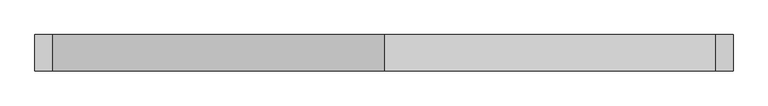
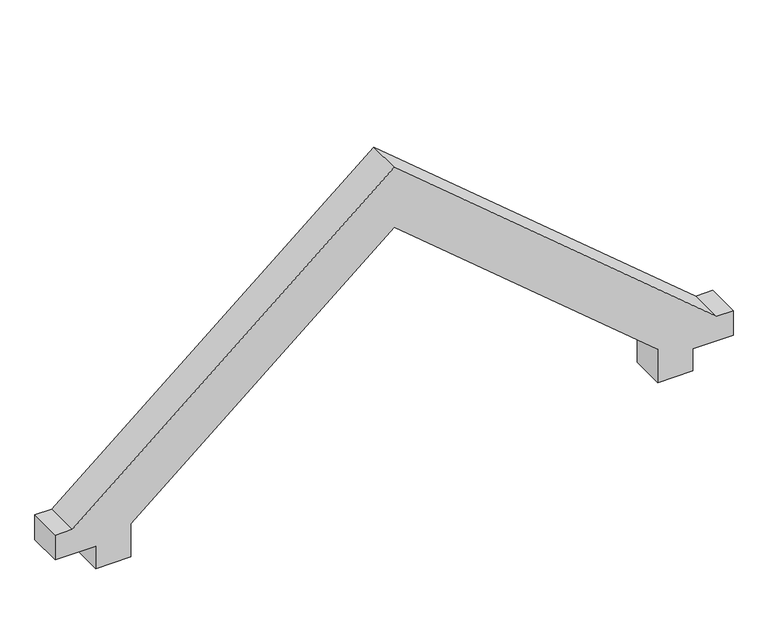
"""IFC4 building model written with IfcOpenShell, lengths in millimetres: proxy geometry."""

from ifc_helpers import new_model, si_unit, frame, origin, place, context, project, spatial, polyline, outline, extrude, source, transform, mapped, element, save


def generic_models_03e93885(model_context):
    return source(origin(), model_context, "Body", "SweptSolid", [
        extrude(outline(polyline([(9578.1629157, -2416.2170004), (9378.1629157, -2416.2170004), (9378.1629157, -2116.2170004), (9678.1629157, -2116.2170004), (11566.1370859, 133.7829996), (9678.1629157, 2383.7829996), (9378.1629157, 2383.7829996), (9378.1629157, 2683.7829996), (9578.1629157, 2683.7829996), (9578.1629157, 3028.7829996), (9802.1629157, 3028.7829996), (9802.1629157, 2883.1949059), (12109.1934323, 133.7829996), (9802.1629157, -2615.6289067), (9802.1629157, -2761.2170004), (9578.1629157, -2761.2170004), (9578.1629157, -2416.2170004)])), frame((0.0, -8789.2842385, 0.0), z_axis=(0.0, 1.0, 0.0), x_axis=(0.0, 0.0, 1.0)), (0.0, 0.0, 1.0), 300.0),
    ])


if __name__ == "__main__":
    model = new_model("IFC4")
    model_context = context("Model", 3, world=origin())
    ifc_project = project(units=[si_unit("LENGTHUNIT", "METRE", prefix="MILLI")], contexts=[model_context])
    site = spatial("IfcSite", under=ifc_project)
    building = spatial("IfcBuilding", under=site)
    placement = place(None, origin())
    generic_models_shape = generic_models_03e93885(model_context)
    element("IfcBuildingElementProxy", 1, Name="Generic Models", at=placement, inside=building, context=model_context, shape_type="MappedRepresentation", body=[
        mapped(generic_models_shape, transform((0.0, 0.0, 0.0), x_axis=(1.0, 0.0, 0.0), y_axis=(0.0, 1.0, 0.0), z_axis=(0.0, 0.0, 1.0))),
    ])
    save(model, "model.ifc")
